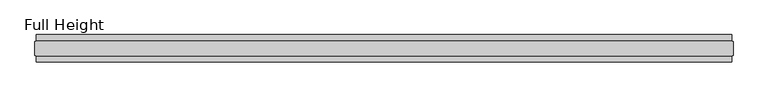
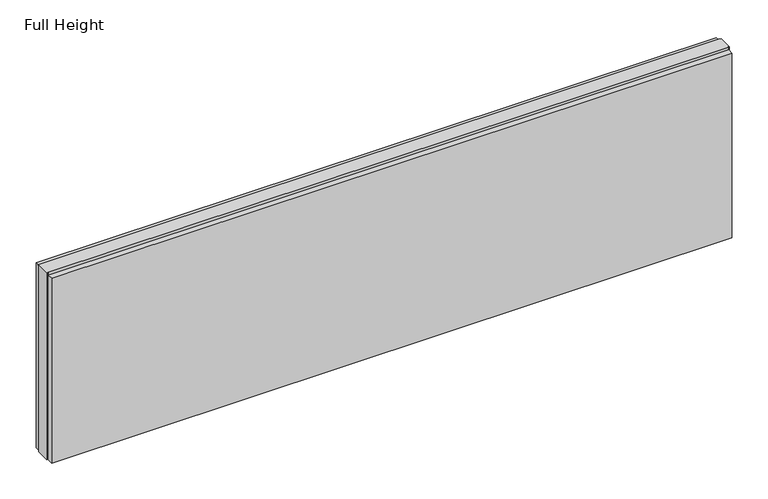
"""IFC4 building model written with IfcOpenShell, lengths in millimetres: plate geometry, Full Height."""

from ifc_helpers import new_model, si_unit, origin, origin_with_axes, place, context, project, spatial, polyline, outline, extrude, source, transform, mapped, element, save


def full_height_8635728a(model_context):
    return source(origin(), model_context, "Body", "SweptSolid", [
        extrude(outline(polyline([(1254.3167157, 28.956), (-1254.3167157, 28.956), (-1254.3167157, 49.53), (1254.3167157, 49.53), (1254.3167157, 28.956)])), origin_with_axes(), (0.0, 0.0, 1.0), 720.852),
        extrude(outline(polyline([(1254.3167157, -28.956), (1254.3167157, -49.53), (-1254.3167157, -49.53), (-1254.3167157, -28.956), (1254.3167157, -28.956)])), origin_with_axes(), (0.0, 0.0, 1.0), 720.852),
        extrude(outline(polyline([(1254.3167157, -25.146), (1254.3167157, -26.67), (-1254.3167157, -26.67), (-1254.3167157, -25.146), (-1258.8887157, -25.146), (-1258.8887157, 25.146), (-1254.3167157, 25.146), (-1254.3167157, 26.67), (1254.3167157, 26.67), (1254.3167157, 25.146), (1258.8887157, 25.146), (1258.8887157, -25.146), (1254.3167157, -25.146)])), origin_with_axes(), (0.0, 0.0, 1.0), 729.996),
    ])


if __name__ == "__main__":
    model = new_model("IFC4")
    model_context = context("Model", 3, world=origin())
    ifc_project = project(units=[si_unit("LENGTHUNIT", "METRE", prefix="MILLI")], contexts=[model_context])
    site = spatial("IfcSite", under=ifc_project)
    building = spatial("IfcBuilding", under=site)
    placement = place(None, origin())
    full_height_shape = full_height_8635728a(model_context)
    element("IfcPlate", 1, ObjectType="Full Height", at=placement, inside=building, context=model_context, shape_type="MappedRepresentation", body=[
        mapped(full_height_shape, transform((0.0, 0.0, 0.0), x_axis=(1.0, 0.0, 0.0), y_axis=(0.0, 1.0, 0.0), z_axis=(0.0, 0.0, 1.0))),
    ])
    save(model, "model.ifc")
